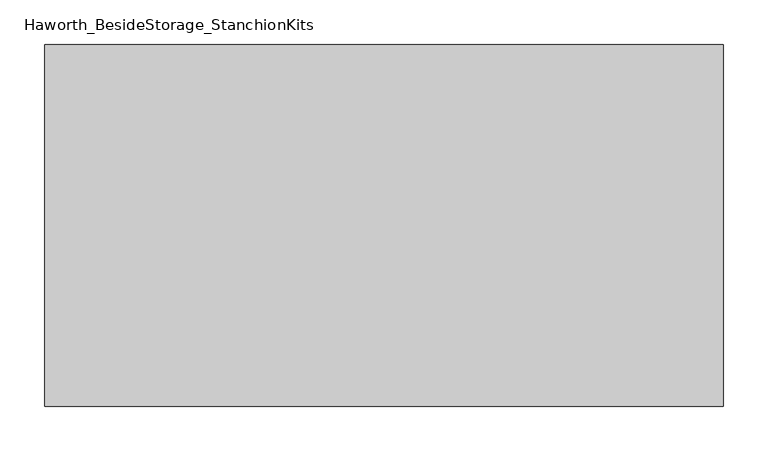
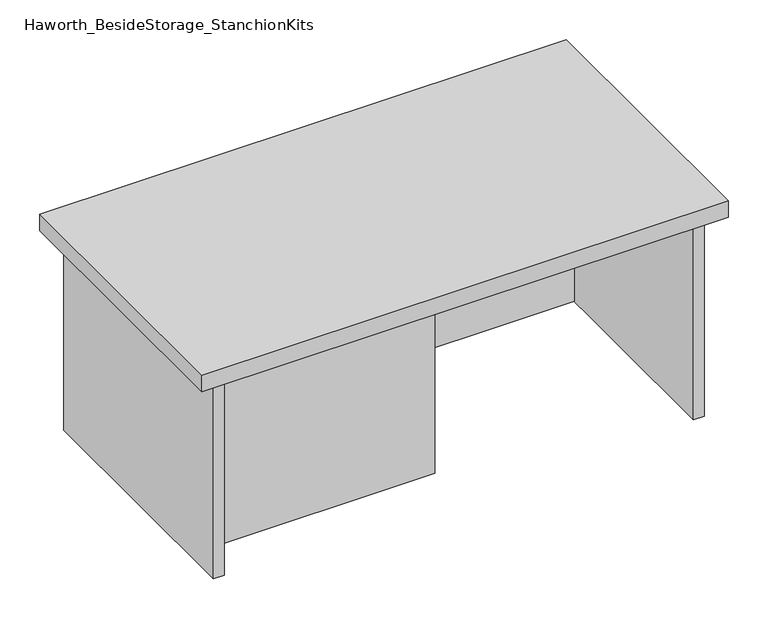
"""IFC4 building model written with IfcOpenShell, lengths in millimetres: furniture geometry, Haworth_BesideStorage_StanchionKits."""

from ifc_helpers import new_model, si_unit, frame, origin, place, context, project, spatial, polyline, outline, extrude, source, transform, mapped, element, save


def haworth_besidestorage_stanchionkits_54159b06(model_context):
    return source(origin(), model_context, "Body", "SweptSolid", [
        extrude(outline(polyline([(542.925, 0.0), (542.925, -406.4), (-219.075, -406.4), (-219.075, 0.0), (542.925, 0.0)])), frame((0.0, 0.0, 736.6), z_axis=(0.0, 0.0, 1.0), x_axis=(1.0, 0.0, 0.0)), (0.0, 0.0, 1.0), 25.4),
        extrude(outline(polyline([(161.925, -76.2), (501.65, -76.2), (501.65, -92.075), (161.925, -92.075), (161.925, -76.2)])), frame((0.0, 0.0, 431.8), z_axis=(0.0, 0.0, 1.0), x_axis=(1.0, 0.0, 0.0)), (0.0, 0.0, 1.0), 304.8),
        extrude(outline(polyline([(161.925, -314.325), (161.925, -330.2), (-177.8, -330.2), (-177.8, -314.325), (161.925, -314.325)])), frame((0.0, 0.0, 431.8), z_axis=(0.0, 0.0, 1.0), x_axis=(1.0, 0.0, 0.0)), (0.0, 0.0, 1.0), 304.8),
        extrude(outline(polyline([(517.525, -390.525), (501.65, -390.525), (501.65, -15.875), (517.525, -15.875), (517.525, -390.525)])), frame((0.0, 0.0, 431.8), z_axis=(0.0, 0.0, 1.0), x_axis=(1.0, 0.0, 0.0)), (0.0, 0.0, 1.0), 304.8),
        extrude(outline(polyline([(-177.8, -390.525), (-193.675, -390.525), (-193.675, -15.875), (-177.8, -15.875), (-177.8, -390.525)])), frame((0.0, 0.0, 431.8), z_axis=(0.0, 0.0, 1.0), x_axis=(1.0, 0.0, 0.0)), (0.0, 0.0, 1.0), 304.8),
    ])


if __name__ == "__main__":
    model = new_model("IFC4")
    model_context = context("Model", 3, world=origin())
    ifc_project = project(units=[si_unit("LENGTHUNIT", "METRE", prefix="MILLI")], contexts=[model_context])
    site = spatial("IfcSite", under=ifc_project)
    building = spatial("IfcBuilding", under=site)
    placement = place(None, origin())
    haworth_besidestorage_stanchionkits_shape = haworth_besidestorage_stanchionkits_54159b06(model_context)
    element("IfcFurniture", 1, ObjectType="Haworth_BesideStorage_StanchionKits", at=placement, inside=building, context=model_context, shape_type="MappedRepresentation", body=[
        mapped(haworth_besidestorage_stanchionkits_shape, transform((0.0, 0.0, 0.0), x_axis=(1.0, 0.0, 0.0), y_axis=(0.0, 1.0, 0.0), z_axis=(0.0, 0.0, 1.0))),
    ])
    save(model, "model.ifc")
